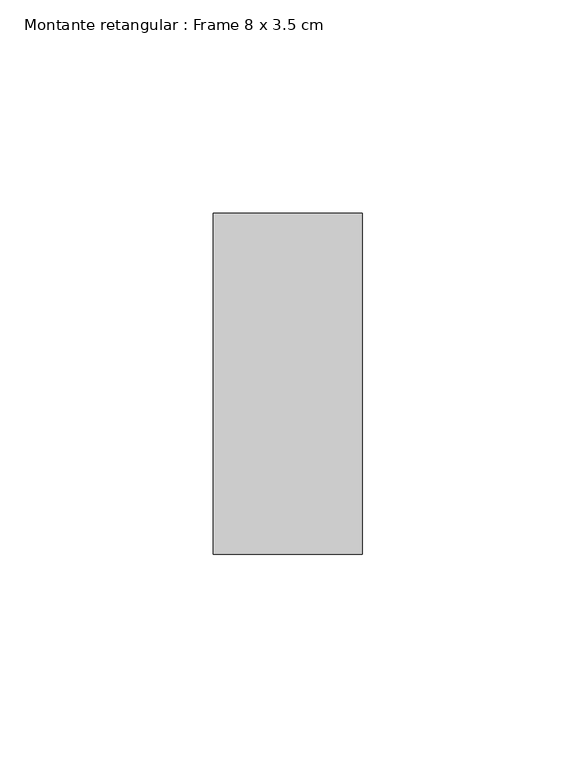
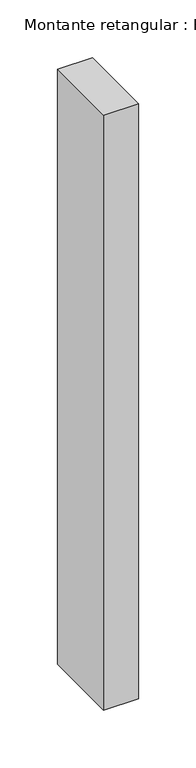
"""IFC4 building model written with IfcOpenShell, lengths in millimetres: member geometry, Montante retangular : Frame 8 x 3.5 cm."""

from ifc_helpers import new_model, si_unit, frame, origin, place, context, project, spatial, polyline, outline, extrude, source, transform, mapped, element, save


def montante_retangular_frame_8_x_3_5_cm_c4df9ea0(model_context):
    return source(origin(), model_context, "Body", "SweptSolid", [
        extrude(outline(polyline([(17.5, 40.0), (17.5, -40.0), (-17.5, -40.0), (-17.5, 40.0), (17.5, 40.0)])), frame((0.0, 0.0, -630.0), z_axis=(0.0, 0.0, 1.0), x_axis=(1.0, 0.0, 0.0)), (0.0, 0.0, 1.0), 630.0),
    ])


if __name__ == "__main__":
    model = new_model("IFC4")
    model_context = context("Model", 3, world=origin())
    ifc_project = project(units=[si_unit("LENGTHUNIT", "METRE", prefix="MILLI")], contexts=[model_context])
    site = spatial("IfcSite", under=ifc_project)
    building = spatial("IfcBuilding", under=site)
    placement = place(None, origin())
    montante_retangular_frame_8_x_3_5_cm_shape = montante_retangular_frame_8_x_3_5_cm_c4df9ea0(model_context)
    element("IfcMember", 1, ObjectType="Montante retangular : Frame 8 x 3.5 cm", at=placement, inside=building, context=model_context, shape_type="MappedRepresentation", body=[
        mapped(montante_retangular_frame_8_x_3_5_cm_shape, transform((0.0, 0.0, 0.0), x_axis=(1.0, 0.0, 0.0), y_axis=(0.0, 1.0, 0.0), z_axis=(0.0, 0.0, 1.0))),
    ])
    save(model, "model.ifc")
